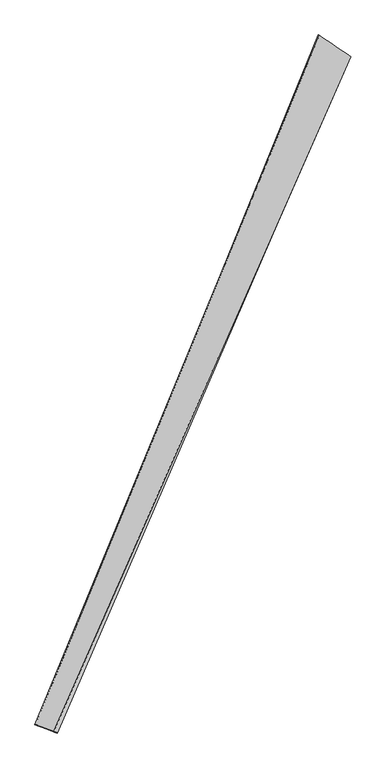
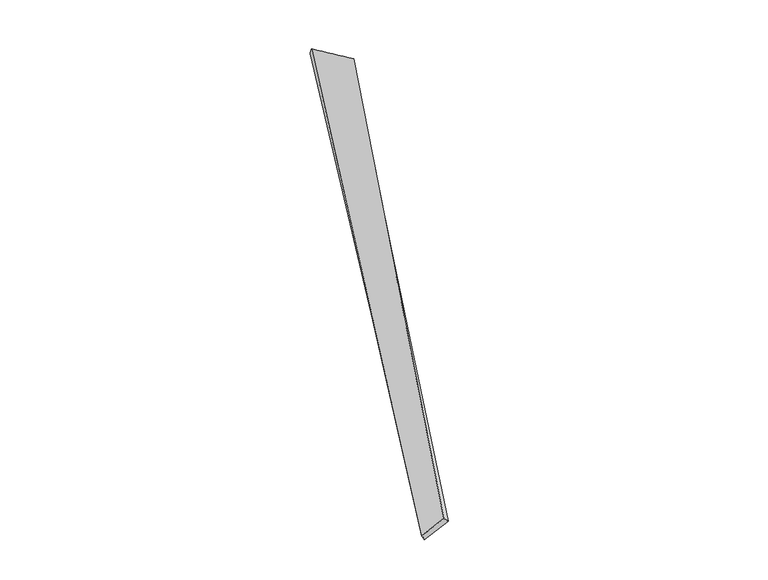
"""IFC4 building model written with IfcOpenShell, lengths in millimetres: proxy geometry."""

from ifc_helpers import new_model, si_unit, origin, place, context, project, spatial, source, transform, mapped, element, save
from ifc_brep_helpers import spline_surface, advanced_brep


def generic_models_1b939f4c(model_context):
    return source(origin(), model_context, "Body", "AdvancedBrep", [
        advanced_brep(
        [(-685.1758734, -1735.7788792, 46.5399644), (-664.4364159, -1745.2760394, 27.0546147), (968.7502051, 2040.1336686, -54.2968984), (975.4587844, 2037.7350613, -25.1551475), (-777.279299, -1703.0122691, -72.6191594), (794.1198351, 2159.1402738, -4.3436452), (-790.6240424, -1697.9901675, -46.2241538), (800.3411313, 2156.0339855, 24.8393369)],
        [
            (0, 1),
            (1, 2),
            (2, 3),
            (3, 0),
            (1, 4),
            (4, 5),
            (5, 2),
            (4, 6),
            (6, 7),
            (7, 5),
            (6, 0),
            (3, 7),
        ],
        [
            spline_surface(1, 1, [[(-685.1758734, -1735.7788792, 46.5399644), (975.4587844, 2037.7350613, -25.1551475)], [(-664.4364159, -1745.2760394, 27.0546147), (968.7502051, 2040.1336686, -54.2968984)]], [2, 2], [2, 2], [0.0, 1.0], [0.0, 1.0]),
            spline_surface(1, 1, [[(-664.4364159, -1745.2760394, 27.0546147), (968.7502051, 2040.1336686, -54.2968984)], [(-777.279299, -1703.0122691, -72.6191594), (794.1198351, 2159.1402738, -4.3436452)]], [2, 2], [2, 2], [0.0, 1.0], [0.0, 1.0]),
            spline_surface(1, 1, [[(-777.279299, -1703.0122691, -72.6191594), (794.1198351, 2159.1402738, -4.3436452)], [(-790.6240424, -1697.9901675, -46.2241538), (800.3411313, 2156.0339855, 24.8393369)]], [2, 2], [2, 2], [0.0, 1.0], [0.0, 1.0]),
            spline_surface(1, 1, [[(-790.6240424, -1697.9901675, -46.2241538), (800.3411313, 2156.0339855, 24.8393369)], [(-685.1758734, -1735.7788792, 46.5399644), (975.4587844, 2037.7350613, -25.1551475)]], [2, 2], [2, 2], [0.0, 1.0], [0.0, 1.0]),
            spline_surface(1, 1, [[(968.7502051, 2040.1336686, -54.2968984), (975.4587844, 2037.7350613, -25.1551475)], [(794.1198351, 2159.1402738, -4.3436452), (800.3411313, 2156.0339855, 24.8393369)]], [2, 2], [2, 2], [0.0, 1.0], [0.0, 1.0]),
            spline_surface(1, 1, [[(-790.6240424, -1697.9901675, -46.2241538), (-685.1758734, -1735.7788792, 46.5399644)], [(-777.279299, -1703.0122691, -72.6191594), (-664.4364159, -1745.2760394, 27.0546147)]], [2, 2], [2, 2], [0.0, 1.0], [0.0, 1.0]),
        ],
        [
            (0, [[1, 2, 3, 4]]),
            (1, [[5, 6, 7, -2]]),
            (2, [[8, 9, 10, -6]]),
            (3, [[11, -4, 12, -9]]),
            (4, [[-3, -7, -10, -12]]),
            (5, [[-11, -8, -5, -1]]),
        ],
    ),
    ])


if __name__ == "__main__":
    model = new_model("IFC4")
    model_context = context("Model", 3, world=origin())
    ifc_project = project(units=[si_unit("LENGTHUNIT", "METRE", prefix="MILLI")], contexts=[model_context])
    site = spatial("IfcSite", under=ifc_project)
    building = spatial("IfcBuilding", under=site)
    placement = place(None, origin())
    generic_models_shape = generic_models_1b939f4c(model_context)
    element("IfcBuildingElementProxy", 1, Name="Generic Models", at=placement, inside=building, context=model_context, shape_type="MappedRepresentation", body=[
        mapped(generic_models_shape, transform((0.0, 0.0, 0.0), x_axis=(1.0, 0.0, 0.0), y_axis=(0.0, 1.0, 0.0), z_axis=(0.0, 0.0, 1.0))),
    ])
    save(model, "model.ifc")
